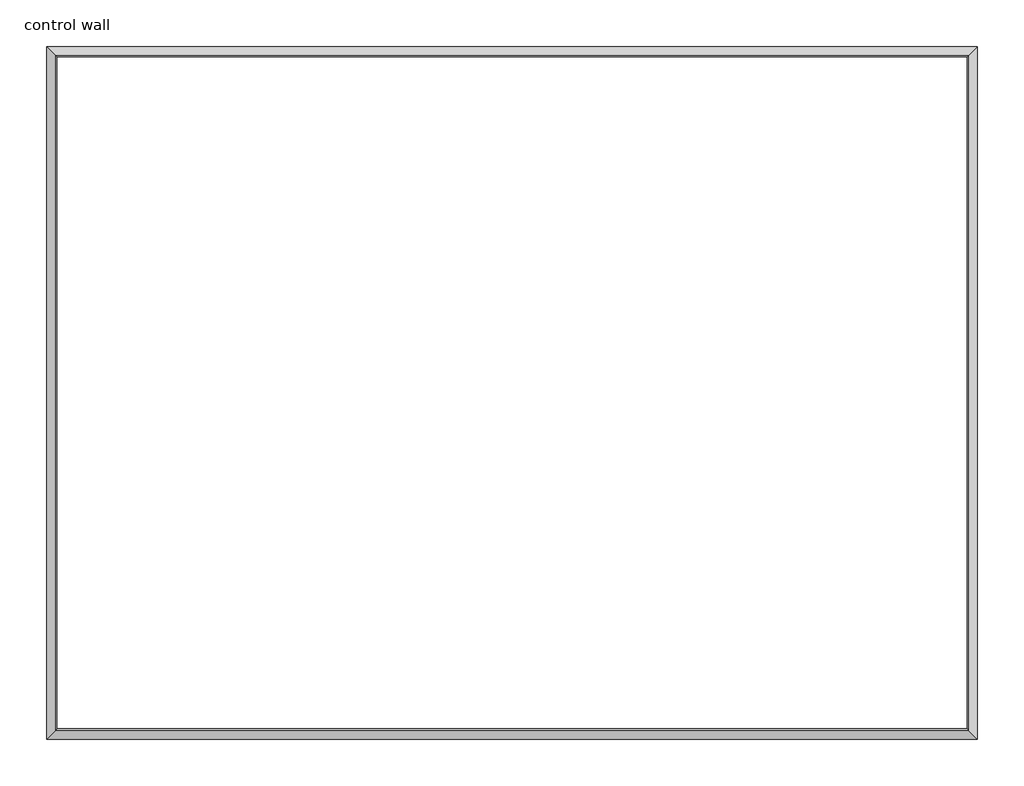
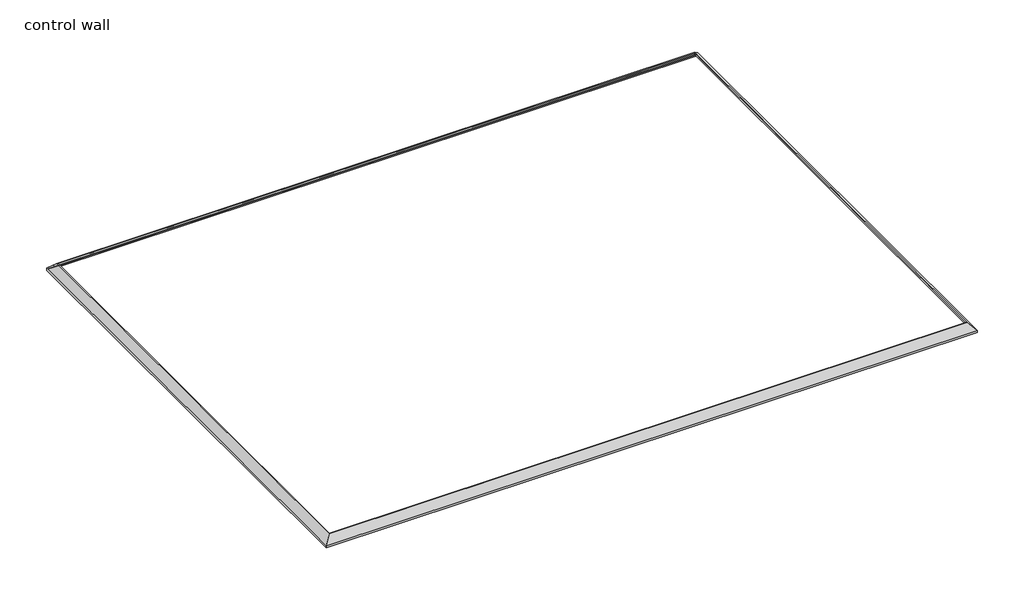
# One storey: 4 proxies.
"""IFC4 building model written with IfcOpenShell, lengths in millimetres."""

from ifc_helpers import new_model, si_unit, frame, origin, place, context, project, spatial, polyline, ellipse_curve, element, save
from ifc_brep_helpers import plane_surface, cylinder_surface, revolved_surface, advanced_brep

model = new_model("IFC4")

# Units and contexts
model_context = context("Model", 3, world=origin())
ifc_project = project(units=[si_unit("LENGTHUNIT", "METRE", prefix="MILLI")], contexts=[model_context])

# Site, building, storey
site = spatial("IfcSite", under=ifc_project)
building = spatial("IfcBuilding", under=site)
storey = spatial("IfcBuildingStorey", under=building, Name="control wall", Elevation=2133.6)

# Proxies
placement = place(None, origin())
element("IfcBuildingElementProxy", 1, Name="Wall Sweeps", at=placement, inside=storey, context=model_context, shape_type="AdvancedBrep", body=[
    advanced_brep(
    [(18315.1984382, -11074.0502894, 2754.3793892), (18315.1984382, -11074.0502894, 2730.5), (18324.1786943, -11083.0305455, 2730.5), (18324.1786943, -11083.0305455, 2739.4802561), (18337.6490785, -11096.5009297, 2752.9506403), (18337.6490785, -11096.5009297, 2759.3006403), (18358.1737583, -11117.0256095, 2779.8253202), (18378.6984382, -11137.5502894, 2800.35), (18388.321747, -11147.1735982, 2800.35), (18388.321747, -11147.1735982, 2819.4), (18380.219049, -11139.0709002, 2819.4), (24868.3984382, -11074.0502894, 2754.3793892), (24803.3778274, -11139.0709002, 2819.4), (24795.2751294, -11147.1735982, 2819.4), (24795.2751294, -11147.1735982, 2800.35), (24804.8984382, -11137.5502894, 2800.35), (24825.423118, -11117.0256095, 2779.8253202), (24845.9477979, -11096.5009297, 2759.3006403), (24845.9477979, -11096.5009297, 2752.9506403), (24859.4181821, -11083.0305455, 2739.4802561), (24859.4181821, -11083.0305455, 2730.5), (24868.3984382, -11074.0502894, 2730.5)],
    [
        (0, 1),
        (1, 2),
        (2, 3),
        (3, 4, ellipse_curve(frame((18337.6490785, -11096.5009297, 2739.4802561), z_axis=(0.7071067811865476, 0.7071067811865476, 0.0), x_axis=(0.7071067811865474, -0.7071067811865476, 0.0)), 19.05, 13.4703842)),
        (4, 5),
        (5, 6, ellipse_curve(frame((18337.6490785, -11096.5009297, 2779.8253202), z_axis=(-0.7071067811865476, -0.7071067811865476, 0.0), x_axis=(-0.7071067811865474, 0.7071067811865476, 0.0)), 29.0262806, 20.5246798)),
        (6, 7, ellipse_curve(frame((18378.6984382, -11137.5502894, 2779.8253202), z_axis=(0.7071067811865476, 0.7071067811865476, 0.0), x_axis=(0.7071067811865474, -0.7071067811865476, 0.0)), 29.0262806, 20.5246798)),
        (7, 8),
        (8, 9),
        (9, 10),
        (10, 0),
        (11, 12),
        (12, 13),
        (13, 14),
        (14, 15),
        (15, 16, ellipse_curve(frame((24804.8984382, -11137.5502894, 2779.8253202), z_axis=(-0.707106781186544, 0.7071067811865511, 0.0), x_axis=(0.7071067811865509, 0.7071067811865441, 0.0)), 29.0262806, 20.5246798)),
        (16, 17, ellipse_curve(frame((24845.9477979, -11096.5009297, 2779.8253202), z_axis=(0.707106781186544, -0.7071067811865511, 0.0), x_axis=(-0.7071067811865509, -0.7071067811865441, 0.0)), 29.0262806, 20.5246798)),
        (17, 18),
        (18, 19, ellipse_curve(frame((24845.9477979, -11096.5009297, 2739.4802561), z_axis=(-0.707106781186544, 0.7071067811865511, 0.0), x_axis=(0.7071067811865509, 0.7071067811865441, 0.0)), 19.05, 13.4703842)),
        (19, 20),
        (20, 21),
        (21, 11),
        (0, 11),
        (21, 1),
        (20, 2),
        (19, 3),
        (18, 4),
        (17, 5),
        (16, 6),
        (15, 7),
        (14, 8),
        (13, 9),
        (12, 10),
    ],
    [
        plane_surface(frame((18315.1984382, -11074.0502894, 3035.3), z_axis=(-0.7071067811865476, -0.7071067811865476, 0.0), x_axis=(0.7071067811865476, -0.7071067811865476, 0.0))),
        plane_surface(frame((24868.3984382, -11074.0502894, 3035.3), z_axis=(0.707106781186544, -0.7071067811865511, 0.0), x_axis=(-0.7071067811865511, -0.707106781186544, 0.0))),
        plane_surface(frame((18315.1984382, -11074.0502894, 2754.3793892), z_axis=(0.0, 1.0, 0.0), x_axis=(1.0, 0.0, 0.0))),
        plane_surface(frame((18315.1984382, -11074.0502894, 2730.5), z_axis=(0.0, 0.0, -1.0), x_axis=(1.0, 0.0, 0.0))),
        plane_surface(frame((18324.1786943, -11083.0305455, 2730.5), z_axis=(0.0, -1.0, 0.0), x_axis=(1.0, 0.0, 0.0))),
        revolved_surface(polyline([(24859.4181821, -11109.9713139, 2739.4802561), (18324.1786943, -11109.9713139, 2739.4802561)]), (18315.1984382, -11096.5009297, 2739.4802561), (1.0, 0.0, 0.0)),
        plane_surface(frame((18337.6490785, -11096.5009297, 2752.9506403), z_axis=(0.0, -1.0, 0.0), x_axis=(1.0, 0.0, 0.0))),
        cylinder_surface(frame((18315.1984382, -11096.5009297, 2779.8253202), z_axis=(-1.0, 0.0, 0.0), x_axis=(0.0, -1.0, 0.0)), 20.5246798),
        revolved_surface(polyline([(24825.423118044884, -11158.0749692, 2779.8253202), (18358.1737583, -11158.0749692, 2779.8253202)]), (18315.1984382, -11137.5502894, 2779.8253202), (1.0, 0.0, 0.0)),
        plane_surface(frame((18378.6984382, -11137.5502894, 2800.35), z_axis=(0.0, 0.0, -1.0), x_axis=(1.0, 0.0, 0.0))),
        plane_surface(frame((18388.321747, -11147.1735982, 2800.35), z_axis=(0.0, -1.0, 0.0), x_axis=(1.0, 0.0, 0.0))),
        plane_surface(frame((18388.321747, -11147.1735982, 2819.4), z_axis=(0.0, 0.0, 1.0), x_axis=(1.0, 0.0, 0.0))),
        plane_surface(frame((18380.219049, -11139.0709002, 2819.4), z_axis=(0.0, 0.707106781186547, 0.707106781186548), x_axis=(1.0, 0.0, 0.0))),
    ],
    [
        (0, [[1, 2, 3, 4, 5, 6, 7, 8, 9, 10, 11]]),
        (1, [[12, 13, 14, 15, 16, 17, 18, 19, 20, 21, 22]]),
        (2, [[-1, 23, -22, 24]]),
        (3, [[-2, -24, -21, 25]]),
        (4, [[-3, -25, -20, 26]]),
        (5, [[-4, -26, -19, 27]]),
        (6, [[-5, -27, -18, 28]]),
        (7, [[-6, -28, -17, 29]]),
        (8, [[-7, -29, -16, 30]]),
        (9, [[-8, -30, -15, 31]]),
        (10, [[-9, -31, -14, 32]]),
        (11, [[-10, -32, -13, 33]]),
        (12, [[-11, -33, -12, -23]]),
    ],
),
])
element("IfcBuildingElementProxy", 2, Name="Wall Sweeps", at=placement, inside=storey, context=model_context, shape_type="AdvancedBrep", body=[
    advanced_brep(
    [(18315.1984382, -15950.8502894, 2754.3793892), (18315.1984382, -15950.8502894, 2730.5), (18324.1786943, -15941.8700333, 2730.5), (18324.1786943, -15941.8700333, 2739.4802561), (18337.6490785, -15928.3996491, 2752.9506403), (18337.6490785, -15928.3996491, 2759.3006403), (18358.1737583, -15907.8749692, 2779.8253202), (18378.6984382, -15887.3502894, 2800.35), (18388.321747, -15877.7269806, 2800.35), (18388.321747, -15877.7269806, 2819.4), (18380.219049, -15885.8296786, 2819.4), (18315.1984382, -11074.0502894, 2754.3793892), (18380.219049, -11139.0709002, 2819.4), (18388.321747, -11147.1735982, 2819.4), (18388.321747, -11147.1735982, 2800.35), (18378.6984382, -11137.5502894, 2800.35), (18358.1737583, -11117.0256095, 2779.8253202), (18337.6490785, -11096.5009297, 2759.3006403), (18337.6490785, -11096.5009297, 2752.9506403), (18324.1786943, -11083.0305455, 2739.4802561), (18324.1786943, -11083.0305455, 2730.5), (18315.1984382, -11074.0502894, 2730.5)],
    [
        (0, 1),
        (1, 2),
        (2, 3),
        (3, 4, ellipse_curve(frame((18337.6490785, -15928.3996491, 2739.4802561), z_axis=(-0.7071067811865476, 0.7071067811865476, 0.0), x_axis=(0.7071067811865476, 0.7071067811865474, 0.0)), 19.05, 13.4703842)),
        (4, 5),
        (5, 6, ellipse_curve(frame((18337.6490785, -15928.3996491, 2779.8253202), z_axis=(0.7071067811865476, -0.7071067811865476, 0.0), x_axis=(-0.7071067811865476, -0.7071067811865474, 0.0)), 29.0262806, 20.5246798)),
        (6, 7, ellipse_curve(frame((18378.6984382, -15887.3502894, 2779.8253202), z_axis=(-0.7071067811865476, 0.7071067811865476, 0.0), x_axis=(0.7071067811865476, 0.7071067811865474, 0.0)), 29.0262806, 20.5246798)),
        (7, 8),
        (8, 9),
        (9, 10),
        (10, 0),
        (11, 12),
        (12, 13),
        (13, 14),
        (14, 15),
        (15, 16, ellipse_curve(frame((18378.6984382, -11137.5502894, 2779.8253202), z_axis=(-0.7071067811865476, -0.7071067811865476, 0.0), x_axis=(-0.7071067811865476, 0.7071067811865474, 0.0)), 29.0262806, 20.5246798)),
        (16, 17, ellipse_curve(frame((18337.6490785, -11096.5009297, 2779.8253202), z_axis=(0.7071067811865476, 0.7071067811865476, 0.0), x_axis=(0.7071067811865476, -0.7071067811865474, 0.0)), 29.0262806, 20.5246798)),
        (17, 18),
        (18, 19, ellipse_curve(frame((18337.6490785, -11096.5009297, 2739.4802561), z_axis=(-0.7071067811865476, -0.7071067811865476, 0.0), x_axis=(-0.7071067811865476, 0.7071067811865474, 0.0)), 19.05, 13.4703842)),
        (19, 20),
        (20, 21),
        (21, 11),
        (0, 11),
        (21, 1),
        (20, 2),
        (19, 3),
        (18, 4),
        (17, 5),
        (16, 6),
        (15, 7),
        (14, 8),
        (13, 9),
        (12, 10),
    ],
    [
        plane_surface(frame((18315.1984382, -15950.8502894, 3035.3), z_axis=(0.7071067811865476, -0.7071067811865476, 0.0), x_axis=(0.7071067811865476, 0.7071067811865476, 0.0))),
        plane_surface(frame((18315.1984382, -11074.0502894, 3035.3), z_axis=(0.7071067811865476, 0.7071067811865476, 0.0), x_axis=(0.7071067811865476, -0.7071067811865476, 0.0))),
        plane_surface(frame((18315.1984382, -15950.8502894, 2754.3793892), z_axis=(-1.0, 0.0, 0.0), x_axis=(0.0, 1.0, 0.0))),
        plane_surface(frame((18315.1984382, -15950.8502894, 2730.5), z_axis=(0.0, 0.0, -1.0), x_axis=(0.0, 1.0, 0.0))),
        plane_surface(frame((18324.1786943, -15941.8700333, 2730.5), z_axis=(1.0, 0.0, 0.0), x_axis=(0.0, 1.0, 0.0))),
        revolved_surface(polyline([(18351.1194627, -11083.0305455, 2739.4802561), (18351.1194627, -15941.8700333, 2739.4802561)]), (18337.6490785, -15950.8502894, 2739.4802561), (0.0, 1.0, 0.0)),
        plane_surface(frame((18337.6490785, -15928.3996491, 2752.9506403), z_axis=(1.0, 0.0, 0.0), x_axis=(0.0, 1.0, 0.0))),
        cylinder_surface(frame((18337.6490785, -15950.8502894, 2779.8253202), z_axis=(0.0, -1.0, 0.0), x_axis=(1.0, 0.0, 0.0)), 20.5246798),
        revolved_surface(polyline([(18399.223118, -11117.0256095, 2779.8253202), (18399.223118, -15907.874969244884, 2779.8253202)]), (18378.6984382, -15950.8502894, 2779.8253202), (0.0, 1.0, 0.0)),
        plane_surface(frame((18378.6984382, -15887.3502894, 2800.35), z_axis=(0.0, 0.0, -1.0), x_axis=(0.0, 1.0, 0.0))),
        plane_surface(frame((18388.321747, -15877.7269806, 2800.35), z_axis=(1.0, 0.0, 0.0), x_axis=(0.0, 1.0, 0.0))),
        plane_surface(frame((18388.321747, -15877.7269806, 2819.4), z_axis=(0.0, 0.0, 1.0), x_axis=(0.0, 1.0, 0.0))),
        plane_surface(frame((18380.219049, -15885.8296786, 2819.4), z_axis=(-0.707106781186547, 0.0, 0.707106781186548), x_axis=(0.0, 1.0, 0.0))),
    ],
    [
        (0, [[1, 2, 3, 4, 5, 6, 7, 8, 9, 10, 11]]),
        (1, [[12, 13, 14, 15, 16, 17, 18, 19, 20, 21, 22]]),
        (2, [[-1, 23, -22, 24]]),
        (3, [[-2, -24, -21, 25]]),
        (4, [[-3, -25, -20, 26]]),
        (5, [[-4, -26, -19, 27]]),
        (6, [[-5, -27, -18, 28]]),
        (7, [[-6, -28, -17, 29]]),
        (8, [[-7, -29, -16, 30]]),
        (9, [[-8, -30, -15, 31]]),
        (10, [[-9, -31, -14, 32]]),
        (11, [[-10, -32, -13, 33]]),
        (12, [[-11, -33, -12, -23]]),
    ],
),
])
element("IfcBuildingElementProxy", 3, Name="Wall Sweeps", at=placement, inside=storey, context=model_context, shape_type="AdvancedBrep", body=[
    advanced_brep(
    [(24868.3984382, -11074.0502894, 2754.3793892), (24868.3984382, -11074.0502894, 2730.5), (24859.4181821, -11083.0305455, 2730.5), (24859.4181821, -11083.0305455, 2739.4802561), (24845.9477979, -11096.5009297, 2752.9506403), (24845.9477979, -11096.5009297, 2759.3006403), (24825.423118, -11117.0256095, 2779.8253202), (24804.8984382, -11137.5502894, 2800.35), (24795.2751294, -11147.1735982, 2800.35), (24795.2751294, -11147.1735982, 2819.4), (24803.3778274, -11139.0709002, 2819.4), (24868.3984382, -15950.8502894, 2754.3793892), (24803.3778274, -15885.8296786, 2819.4), (24795.2751294, -15877.7269806, 2819.4), (24795.2751294, -15877.7269806, 2800.35), (24804.8984382, -15887.3502894, 2800.35), (24825.423118, -15907.8749692, 2779.8253202), (24845.9477979, -15928.3996491, 2759.3006403), (24845.9477979, -15928.3996491, 2752.9506403), (24859.4181821, -15941.8700333, 2739.4802561), (24859.4181821, -15941.8700333, 2730.5), (24868.3984382, -15950.8502894, 2730.5)],
    [
        (0, 1),
        (1, 2),
        (2, 3),
        (3, 4, ellipse_curve(frame((24845.9477979, -11096.5009297, 2739.4802561), z_axis=(0.707106781186544, -0.7071067811865511, 0.0), x_axis=(-0.7071067811865511, -0.7071067811865438, 0.0)), 19.05, 13.4703842)),
        (4, 5),
        (5, 6, ellipse_curve(frame((24845.9477979, -11096.5009297, 2779.8253202), z_axis=(-0.707106781186544, 0.7071067811865511, 0.0), x_axis=(0.7071067811865511, 0.7071067811865438, 0.0)), 29.0262806, 20.5246798)),
        (6, 7, ellipse_curve(frame((24804.8984382, -11137.5502894, 2779.8253202), z_axis=(0.707106781186544, -0.7071067811865511, 0.0), x_axis=(-0.7071067811865511, -0.7071067811865438, 0.0)), 29.0262806, 20.5246798)),
        (7, 8),
        (8, 9),
        (9, 10),
        (10, 0),
        (11, 12),
        (12, 13),
        (13, 14),
        (14, 15),
        (15, 16, ellipse_curve(frame((24804.8984382, -15887.3502894, 2779.8253202), z_axis=(0.707106781186544, 0.7071067811865511, 0.0), x_axis=(0.7071067811865511, -0.7071067811865438, 0.0)), 29.0262806, 20.5246798)),
        (16, 17, ellipse_curve(frame((24845.9477979, -15928.3996491, 2779.8253202), z_axis=(-0.707106781186544, -0.7071067811865511, 0.0), x_axis=(-0.7071067811865511, 0.7071067811865438, 0.0)), 29.0262806, 20.5246798)),
        (17, 18),
        (18, 19, ellipse_curve(frame((24845.9477979, -15928.3996491, 2739.4802561), z_axis=(0.707106781186544, 0.7071067811865511, 0.0), x_axis=(0.7071067811865511, -0.7071067811865438, 0.0)), 19.05, 13.4703842)),
        (19, 20),
        (20, 21),
        (21, 11),
        (0, 11),
        (21, 1),
        (20, 2),
        (19, 3),
        (18, 4),
        (17, 5),
        (16, 6),
        (15, 7),
        (14, 8),
        (13, 9),
        (12, 10),
    ],
    [
        plane_surface(frame((24868.3984382, -11074.0502894, 3035.3), z_axis=(-0.707106781186544, 0.7071067811865511, 0.0), x_axis=(-0.7071067811865511, -0.707106781186544, 0.0))),
        plane_surface(frame((24868.3984382, -15950.8502894, 3035.3), z_axis=(-0.707106781186544, -0.7071067811865511, 0.0), x_axis=(-0.7071067811865511, 0.707106781186544, 0.0))),
        plane_surface(frame((24868.3984382, -11074.0502894, 2754.3793892), z_axis=(1.0, 0.0, 0.0), x_axis=(0.0, -1.0, 0.0))),
        plane_surface(frame((24868.3984382, -11074.0502894, 2730.5), z_axis=(0.0, 0.0, -1.0), x_axis=(0.0, -1.0, 0.0))),
        plane_surface(frame((24859.4181821, -11083.0305455, 2730.5), z_axis=(-1.0, 0.0, 0.0), x_axis=(0.0, -1.0, 0.0))),
        revolved_surface(polyline([(24832.4774137, -15941.8700333, 2739.4802561), (24832.4774137, -11083.0305455, 2739.4802561)]), (24845.9477979, -11074.0502894, 2739.4802561), (0.0, -1.0, 0.0)),
        plane_surface(frame((24845.9477979, -11096.5009297, 2752.9506403), z_axis=(-1.0, 0.0, 0.0), x_axis=(0.0, -1.0, 0.0))),
        cylinder_surface(frame((24845.9477979, -11074.0502894, 2779.8253202), z_axis=(0.0, 1.0, 0.0), x_axis=(-1.0, 0.0, 0.0)), 20.5246798),
        revolved_surface(polyline([(24784.3737584, -15907.874969244884, 2779.8253202), (24784.3737584, -11117.0256095, 2779.8253202)]), (24804.8984382, -11074.0502894, 2779.8253202), (0.0, -1.0, 0.0)),
        plane_surface(frame((24804.8984382, -11137.5502894, 2800.35), z_axis=(0.0, 0.0, -1.0), x_axis=(0.0, -1.0, 0.0))),
        plane_surface(frame((24795.2751294, -11147.1735982, 2800.35), z_axis=(-1.0, 0.0, 0.0), x_axis=(0.0, -1.0, 0.0))),
        plane_surface(frame((24795.2751294, -11147.1735982, 2819.4), z_axis=(0.0, 0.0, 1.0), x_axis=(0.0, -1.0, 0.0))),
        plane_surface(frame((24803.3778274, -11139.0709002, 2819.4), z_axis=(0.707106781186547, 0.0, 0.707106781186548), x_axis=(0.0, -1.0, 0.0))),
    ],
    [
        (0, [[1, 2, 3, 4, 5, 6, 7, 8, 9, 10, 11]]),
        (1, [[12, 13, 14, 15, 16, 17, 18, 19, 20, 21, 22]]),
        (2, [[-1, 23, -22, 24]]),
        (3, [[-2, -24, -21, 25]]),
        (4, [[-3, -25, -20, 26]]),
        (5, [[-4, -26, -19, 27]]),
        (6, [[-5, -27, -18, 28]]),
        (7, [[-6, -28, -17, 29]]),
        (8, [[-7, -29, -16, 30]]),
        (9, [[-8, -30, -15, 31]]),
        (10, [[-9, -31, -14, 32]]),
        (11, [[-10, -32, -13, 33]]),
        (12, [[-11, -33, -12, -23]]),
    ],
),
])
element("IfcBuildingElementProxy", 4, Name="Wall Sweeps", at=placement, inside=storey, context=model_context, shape_type="AdvancedBrep", body=[
    advanced_brep(
    [(18315.1984382, -15950.8502894, 2754.3793892), (18380.219049, -15885.8296786, 2819.4), (18388.321747, -15877.7269806, 2819.4), (18388.321747, -15877.7269806, 2800.35), (18378.6984382, -15887.3502894, 2800.35), (18358.1737583, -15907.8749692, 2779.8253202), (18337.6490785, -15928.3996491, 2759.3006403), (18337.6490785, -15928.3996491, 2752.9506403), (18324.1786943, -15941.8700333, 2739.4802561), (18324.1786943, -15941.8700333, 2730.5), (18315.1984382, -15950.8502894, 2730.5), (24868.3984382, -15950.8502894, 2754.3793892), (24868.3984382, -15950.8502894, 2730.5), (24859.4181821, -15941.8700333, 2730.5), (24859.4181821, -15941.8700333, 2739.4802561), (24845.9477979, -15928.3996491, 2752.9506403), (24845.9477979, -15928.3996491, 2759.3006403), (24825.423118, -15907.8749692, 2779.8253202), (24804.8984382, -15887.3502894, 2800.35), (24795.2751294, -15877.7269806, 2800.35), (24795.2751294, -15877.7269806, 2819.4), (24803.3778274, -15885.8296786, 2819.4)],
    [
        (0, 1),
        (1, 2),
        (2, 3),
        (3, 4),
        (4, 5, ellipse_curve(frame((18378.6984382, -15887.3502894, 2779.8253202), z_axis=(0.7071067811865476, -0.7071067811865476, 0.0), x_axis=(0.7071067811865475, 0.7071067811865476, 0.0)), 29.0262806, 20.5246798)),
        (5, 6, ellipse_curve(frame((18337.6490785, -15928.3996491, 2779.8253202), z_axis=(-0.7071067811865476, 0.7071067811865476, 0.0), x_axis=(-0.7071067811865475, -0.7071067811865476, 0.0)), 29.0262806, 20.5246798)),
        (6, 7),
        (7, 8, ellipse_curve(frame((18337.6490785, -15928.3996491, 2739.4802561), z_axis=(0.7071067811865476, -0.7071067811865476, 0.0), x_axis=(0.7071067811865475, 0.7071067811865476, 0.0)), 19.05, 13.4703842)),
        (8, 9),
        (9, 10),
        (10, 0),
        (11, 12),
        (12, 13),
        (13, 14),
        (14, 15, ellipse_curve(frame((24845.9477979, -15928.3996491, 2739.4802561), z_axis=(-0.707106781186544, -0.7071067811865511, 0.0), x_axis=(0.707106781186551, -0.7071067811865439, 0.0)), 19.05, 13.4703842)),
        (15, 16),
        (16, 17, ellipse_curve(frame((24845.9477979, -15928.3996491, 2779.8253202), z_axis=(0.707106781186544, 0.7071067811865511, 0.0), x_axis=(-0.707106781186551, 0.7071067811865439, 0.0)), 29.0262806, 20.5246798)),
        (17, 18, ellipse_curve(frame((24804.8984382, -15887.3502894, 2779.8253202), z_axis=(-0.707106781186544, -0.7071067811865511, 0.0), x_axis=(0.707106781186551, -0.7071067811865439, 0.0)), 29.0262806, 20.5246798)),
        (18, 19),
        (19, 20),
        (20, 21),
        (21, 11),
        (0, 11),
        (21, 1),
        (20, 2),
        (19, 3),
        (18, 4),
        (17, 5),
        (16, 6),
        (15, 7),
        (14, 8),
        (13, 9),
        (12, 10),
    ],
    [
        plane_surface(frame((18315.1984382, -15950.8502894, 2425.7), z_axis=(-0.7071067811865476, 0.7071067811865476, 0.0), x_axis=(0.7071067811865476, 0.7071067811865476, 0.0))),
        plane_surface(frame((24868.3984382, -15950.8502894, 2425.7), z_axis=(0.707106781186544, 0.7071067811865511, 0.0), x_axis=(-0.7071067811865511, 0.707106781186544, 0.0))),
        plane_surface(frame((18315.1984382, -15950.8502894, 2754.3793892), z_axis=(0.0, -0.707106781186547, 0.707106781186548), x_axis=(1.0, 0.0, 0.0))),
        plane_surface(frame((18380.219049, -15885.8296786, 2819.4), z_axis=(0.0, 0.0, 1.0), x_axis=(1.0, 0.0, 0.0))),
        plane_surface(frame((18388.321747, -15877.7269806, 2819.4), z_axis=(0.0, 1.0, 0.0), x_axis=(1.0, 0.0, 0.0))),
        plane_surface(frame((18388.321747, -15877.7269806, 2800.35), z_axis=(0.0, 0.0, -1.0), x_axis=(1.0, 0.0, 0.0))),
        revolved_surface(polyline([(24825.423118044884, -15866.825609599999, 2779.8253202), (18358.1737583, -15866.825609599999, 2779.8253202)]), (18315.1984382, -15887.3502894, 2779.8253202), (1.0, 0.0, 0.0)),
        cylinder_surface(frame((18315.1984382, -15928.3996491, 2779.8253202), z_axis=(-1.0, 0.0, 0.0), x_axis=(0.0, 1.0, 0.0)), 20.5246798),
        plane_surface(frame((18337.6490785, -15928.3996491, 2759.3006403), z_axis=(0.0, 1.0, 0.0), x_axis=(1.0, 0.0, 0.0))),
        revolved_surface(polyline([(24859.4181821, -15914.9292649, 2739.4802561), (18324.1786943, -15914.9292649, 2739.4802561)]), (18315.1984382, -15928.3996491, 2739.4802561), (1.0, 0.0, 0.0)),
        plane_surface(frame((18324.1786943, -15941.8700333, 2739.4802561), z_axis=(0.0, 1.0, 0.0), x_axis=(1.0, 0.0, 0.0))),
        plane_surface(frame((18324.1786943, -15941.8700333, 2730.5), z_axis=(0.0, 0.0, -1.0), x_axis=(1.0, 0.0, 0.0))),
        plane_surface(frame((18315.1984382, -15950.8502894, 2730.5), z_axis=(0.0, -1.0, 0.0), x_axis=(1.0, 0.0, 0.0))),
    ],
    [
        (0, [[1, 2, 3, 4, 5, 6, 7, 8, 9, 10, 11]]),
        (1, [[12, 13, 14, 15, 16, 17, 18, 19, 20, 21, 22]]),
        (2, [[-1, 23, -22, 24]]),
        (3, [[-2, -24, -21, 25]]),
        (4, [[-3, -25, -20, 26]]),
        (5, [[-4, -26, -19, 27]]),
        (6, [[-5, -27, -18, 28]]),
        (7, [[-6, -28, -17, 29]]),
        (8, [[-7, -29, -16, 30]]),
        (9, [[-8, -30, -15, 31]]),
        (10, [[-9, -31, -14, 32]]),
        (11, [[-10, -32, -13, 33]]),
        (12, [[-11, -33, -12, -23]]),
    ],
),
])

save(model, "model.ifc")
